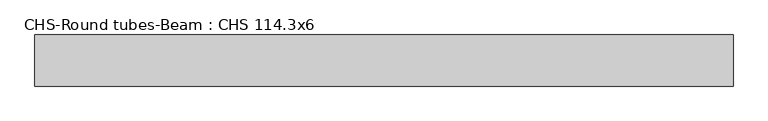
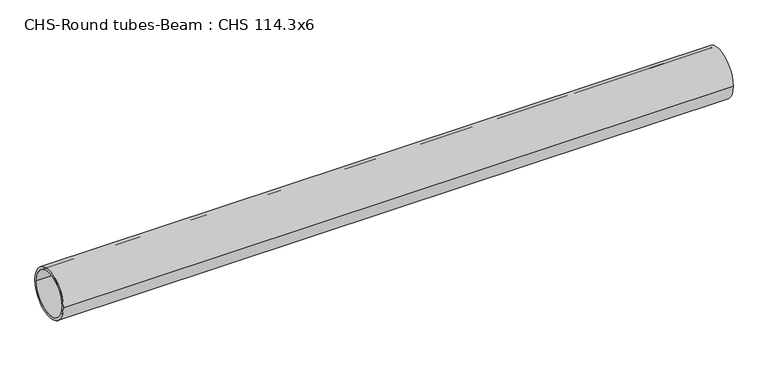
"""IFC4 building model written with IfcOpenShell, lengths in millimetres: beam geometry, CHS-Round tubes-Beam : CHS 114.3x6."""

from ifc_helpers import new_model, si_unit, point, frame, origin, origin_2d, place, context, project, spatial, circle_curve, trimmed, segment, composite_curve, outline, extrude, source, transform, mapped, element, save


def chs_round_tubes_beam_chs_114_3x6_e136a4ad(model_context):
    return source(origin(), model_context, "Body", "SweptSolid", [
        extrude(outline(composite_curve([segment(trimmed(circle_curve(origin_2d(), 57.15), [point((57.15, 0.0))], [point((-57.15, 0.0))], False, "CARTESIAN"), True, "CONTINUOUS"), segment(trimmed(circle_curve(origin_2d(), 57.15), [point((-57.15, 0.0))], [point((57.15, 0.0))], False, "CARTESIAN"), True, "CONTINUOUS")], self_intersect=False), holes=[composite_curve([segment(trimmed(circle_curve(origin_2d(), 51.15), [point((51.15, 0.0))], [point((-51.15, 0.0))], True, "CARTESIAN"), True, "CONTINUOUS"), segment(trimmed(circle_curve(origin_2d(), 51.15), [point((-51.15, 0.0))], [point((51.15, 0.0))], True, "CARTESIAN"), True, "CONTINUOUS")], self_intersect=False)]), frame((-774.8057614, 0.0, 0.0), z_axis=(1.0, 0.0, 0.0), x_axis=(0.0, 1.0, 0.0)), (0.0, 0.0, 1.0), 1560.3230947),
    ])


if __name__ == "__main__":
    model = new_model("IFC4")
    model_context = context("Model", 3, world=origin())
    ifc_project = project(units=[si_unit("LENGTHUNIT", "METRE", prefix="MILLI")], contexts=[model_context])
    site = spatial("IfcSite", under=ifc_project)
    building = spatial("IfcBuilding", under=site)
    placement = place(None, origin())
    chs_round_tubes_beam_chs_114_3x6_shape = chs_round_tubes_beam_chs_114_3x6_e136a4ad(model_context)
    element("IfcBeam", 1, ObjectType="CHS-Round tubes-Beam : CHS 114.3x6", at=placement, inside=building, context=model_context, shape_type="MappedRepresentation", body=[
        mapped(chs_round_tubes_beam_chs_114_3x6_shape, transform((0.0, 0.0, 0.0), x_axis=(1.0, 0.0, 0.0), y_axis=(0.0, 1.0, 0.0), z_axis=(0.0, 0.0, 1.0))),
    ])
    save(model, "model.ifc")
